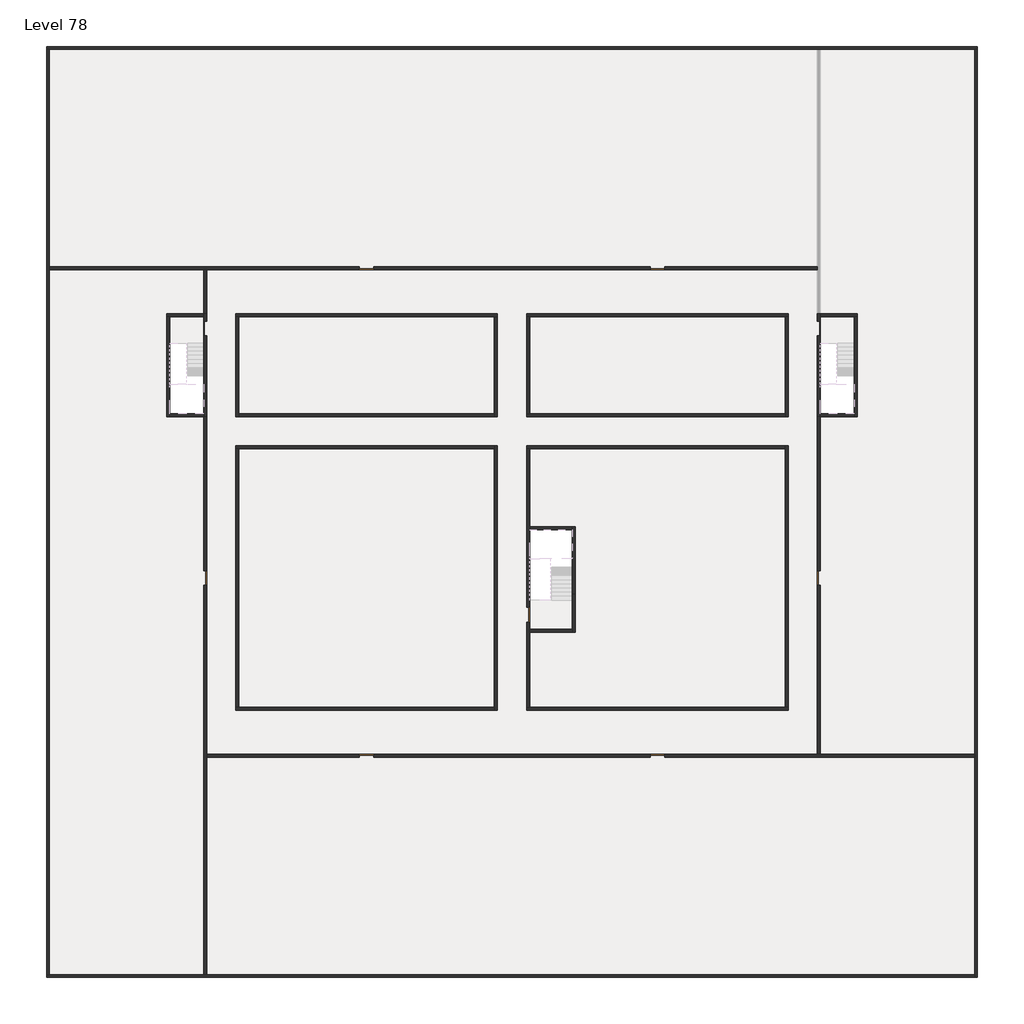
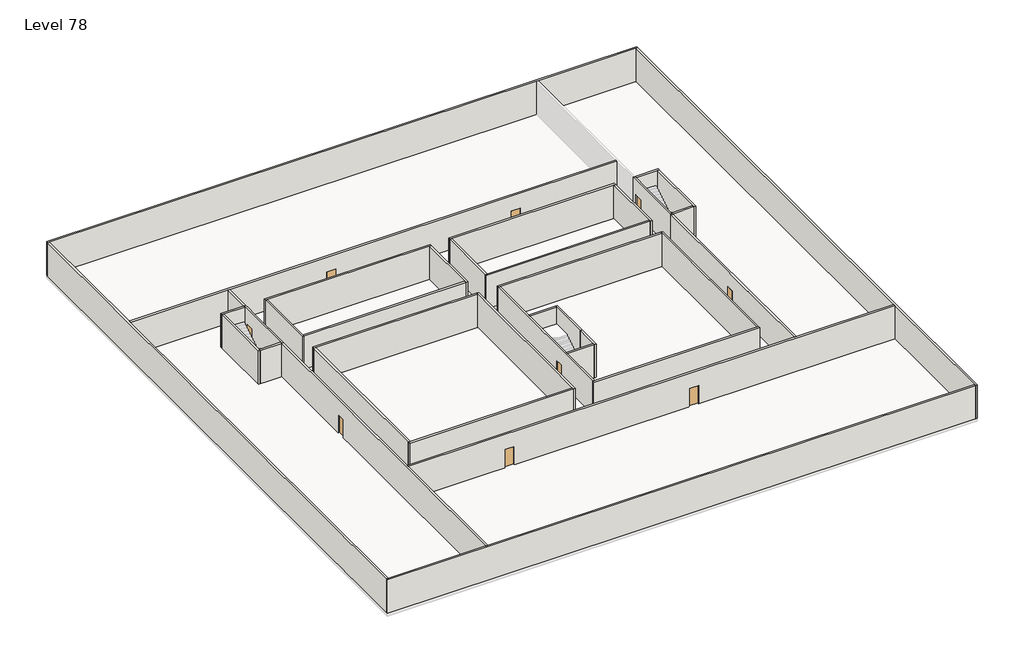
# One storey, part 1 of 2: 37 walls, 9 doors.
"""IFC4 building model written with IfcOpenShell, lengths in millimetres."""

import ifcopenshell
import ifcopenshell.guid

model = None  # the IFC model being written
_history = None  # IfcOwnerHistory: only IFC2X3 demands one
_inside = {}  # id of a spatial element -> (the spatial element, [elements in it])
_under = {}  # id of a project, library or spatial element -> (it, [spatial elements below it])
_declared = {}  # id of a project -> (the project, [libraries it declares])
_typed = {}  # id of a type object -> (the type object, [elements of that type])
_made_of = {}  # id of a material, layer set ... -> (it, [elements and type objects made of it])


def new_model(schema):
    """Start an empty IFC model of exactly this schema.

    Asked for "IFC4X3", IfcOpenShell would pick the latest addendum, in which some entities
    have other attributes; the version numbers below select the first issue.
    IFC2X3 requires an IfcOwnerHistory on every rooted entity: one is made here for all.
    """
    global model, _history
    if schema == "IFC4X3":
        model = ifcopenshell.file(schema_version=(4, 3, 0, 0))
    else:
        model = ifcopenshell.file(schema=schema)
    _inside.clear()
    _under.clear()
    _declared.clear()
    _typed.clear()
    _made_of.clear()
    _history = None
    if model.schema == "IFC2X3":
        org = make("IfcOrganization", Name="unknown")
        user = make(
            "IfcPersonAndOrganization",
            ThePerson=make("IfcPerson", FamilyName="unknown"),
            TheOrganization=org,
        )
        app = make(
            "IfcApplication",
            ApplicationDeveloper=org,
            Version="unknown",
            ApplicationFullName="unknown",
            ApplicationIdentifier="unknown",
        )
        _history = make(
            "IfcOwnerHistory",
            OwningUser=user,
            OwningApplication=app,
            ChangeAction="ADDED",
            CreationDate=0,
        )
    return model


def make(cls, **values):
    """One entity of the class cls with the attributes given. An attribute that is None is left unset."""
    return model.create_entity(
        cls, **{name: value for name, value in values.items() if value is not None}
    )


def rooted(cls, **values):
    """An entity with a GlobalId (a new one), such as an element, a storey or a relation."""
    return make(cls, GlobalId=ifcopenshell.guid.new(), OwnerHistory=_history, **values)


def si_unit(unit_type, name, prefix=None):
    """IfcSIUnit, for example si_unit("LENGTHUNIT", "METRE", prefix="MILLI")."""
    return make("IfcSIUnit", UnitType=unit_type, Prefix=prefix, Name=name)


def assignment(units):
    """IfcUnitAssignment: the units of a project."""
    return None if units is None else make("IfcUnitAssignment", Units=units)


def point(xyz):
    """IfcCartesianPoint."""
    return None if xyz is None else make("IfcCartesianPoint", Coordinates=xyz)


def direction(xyz):
    """IfcDirection."""
    return None if xyz is None else make("IfcDirection", DirectionRatios=xyz)


def frame(location, z_axis=None, x_axis=None):
    """IfcAxis2Placement3D, a coordinate frame: its origin and axes. An axis left out is left unset."""
    return make(
        "IfcAxis2Placement3D",
        Location=point(location),
        Axis=direction(z_axis),
        RefDirection=direction(x_axis),
    )


def origin():
    """The frame at (0, 0, 0) with its axes left unset."""
    return frame((0.0, 0.0, 0.0))


def origin_with_axes():
    """The frame at (0, 0, 0) with the z axis (0, 0, 1) and the x axis (1, 0, 0) written out."""
    return frame((0.0, 0.0, 0.0), z_axis=(0.0, 0.0, 1.0), x_axis=(1.0, 0.0, 0.0))


def place(relative_to, where):
    """IfcLocalPlacement: puts the frame where relative to a parent placement (None: the world)."""
    return make(
        "IfcLocalPlacement", PlacementRelTo=relative_to, RelativePlacement=where
    )


def context(
    kind, dimensions, precision=None, world=None, true_north=None, identifier=None
):
    """IfcGeometricRepresentationContext, for example the 3D "Model" context."""
    return make(
        "IfcGeometricRepresentationContext",
        ContextIdentifier=identifier,
        ContextType=kind,
        CoordinateSpaceDimension=dimensions,
        Precision=precision,
        WorldCoordinateSystem=world,
        TrueNorth=true_north,
    )


def project(units=None, contexts=None):
    """IfcProject with its units and contexts."""
    return rooted(
        "IfcProject",
        Name="project",
        RepresentationContexts=contexts,
        UnitsInContext=assignment(units),
    )


def spatial(cls, under=None, at=None, **own):
    """A site, building, storey or space (cls), placed at a placement, below another one or the project."""
    s = rooted(cls, ObjectPlacement=at, **own)
    if under is not None:
        _under.setdefault(under.id(), (under, []))[1].append(s)
    return s


def polyline(points):
    """IfcPolyline through the points."""
    return make("IfcPolyline", Points=[point(p) for p in points])


def outline(outer, holes=None, kind="AREA"):
    """IfcArbitraryClosedProfileDef: a profile drawn as a closed curve; with holes, ...WithVoids."""
    if holes is None:
        return make("IfcArbitraryClosedProfileDef", ProfileType=kind, OuterCurve=outer)
    return make(
        "IfcArbitraryProfileDefWithVoids",
        ProfileType=kind,
        OuterCurve=outer,
        InnerCurves=holes,
    )


def extrude(swept, where, along, depth):
    """IfcExtrudedAreaSolid: the profile swept, set in the frame where, extruded along a direction by depth."""
    return make(
        "IfcExtrudedAreaSolid",
        SweptArea=swept,
        Position=where,
        ExtrudedDirection=direction(along),
        Depth=depth,
    )


def faces_of(points, faces, orient=None, outer=None):
    """IfcFace entities. A face is a list of loops; a loop is a list of indices into points, from 0.

    orient and outer hold one flag for each loop. By default every Orientation is true, the
    first loop of a face is its IfcFaceOuterBound and the others are IfcFaceBound.
    """
    made = []
    for i, loops in enumerate(faces):
        bounds = []
        for j, loop in enumerate(loops):
            is_outer = j == 0 if outer is None else outer[i][j]
            bounds.append(
                make(
                    "IfcFaceOuterBound" if is_outer else "IfcFaceBound",
                    Bound=make("IfcPolyLoop", Polygon=[points[k] for k in loop]),
                    Orientation=True if orient is None else orient[i][j],
                )
            )
        made.append(make("IfcFace", Bounds=bounds))
    return made


def faceted_brep(points, faces, orient=None, outer=None, voids=None):
    """IfcFacetedBrep: a solid bounded by flat faces; with voids (closed shells), ...WithVoids."""
    shared = [point(p) for p in points]
    hull = make("IfcClosedShell", CfsFaces=faces_of(shared, faces, orient, outer))
    if voids is None:
        return make("IfcFacetedBrep", Outer=hull)
    return make(
        "IfcFacetedBrepWithVoids",
        Outer=hull,
        Voids=[
            make(cls, CfsFaces=faces_of(shared, fs, o, b)) for cls, fs, o, b in voids
        ],
    )


def shape(context_of_items, identifier, shape_type, items):
    """IfcShapeRepresentation: the items that make up one representation, for example the "Body"."""
    return make(
        "IfcShapeRepresentation",
        ContextOfItems=context_of_items,
        RepresentationIdentifier=identifier,
        RepresentationType=shape_type,
        Items=items,
    )


def source(mapping_origin, context_of_items, identifier, shape_type, items):
    """IfcRepresentationMap: a shape defined once, which mapped items show again and again."""
    return make(
        "IfcRepresentationMap",
        MappingOrigin=mapping_origin,
        MappedRepresentation=shape(context_of_items, identifier, shape_type, items),
    )


def transform(
    local_origin,
    x_axis=None,
    y_axis=None,
    z_axis=None,
    scale=None,
    scale2=None,
    scale3=None,
    uniform=True,
):
    """IfcCartesianTransformationOperator3D, or its non-uniform kind. x_axis, y_axis, z_axis: its Axis1, 2, 3."""
    if uniform:
        return make(
            "IfcCartesianTransformationOperator3D",
            Axis1=direction(x_axis),
            Axis2=direction(y_axis),
            LocalOrigin=point(local_origin),
            Scale=scale,
            Axis3=direction(z_axis),
        )
    return make(
        "IfcCartesianTransformationOperator3DnonUniform",
        Axis1=direction(x_axis),
        Axis2=direction(y_axis),
        LocalOrigin=point(local_origin),
        Scale=scale,
        Axis3=direction(z_axis),
        Scale2=scale2,
        Scale3=scale3,
    )


def mapped(mapping_source, mapping_target):
    """IfcMappedItem: shows the shape of a source again, moved by a transform."""
    return make(
        "IfcMappedItem", MappingSource=mapping_source, MappingTarget=mapping_target
    )


def made_of(thing, what):
    """Note that an element or type object is made of a material, layer set ...; save() writes the relation."""
    if what is not None:
        _made_of.setdefault(what.id(), (what, []))[1].append(thing)
    return thing


def element(
    cls,
    number,
    at=None,
    inside=None,
    cuts=None,
    type_object=None,
    material=None,
    context=None,
    identifier="Body",
    shape_type=None,
    held_by="IfcProductDefinitionShape",
    body=None,
    shapes=None,
    **own,
):
    """One element of the class cls, such as IfcWall. Its Tag is "e" and its number.

    at: its placement. inside: the storey or other place that contains it. cuts: it is an
    opening in that element (IfcRelVoidsElement). A single representation is given by context,
    identifier, shape_type and body (its items); several are given by shapes. held_by: the class
    of the entity that holds the representations. save() writes the other relations.
    """
    e = rooted(cls, Tag="e%d" % number, ObjectPlacement=at, **own)
    if body is not None:
        shapes = [shape(context, identifier, shape_type, body)]
    if shapes is not None:
        e.Representation = make(held_by, Representations=shapes)
    if inside is not None:
        _inside.setdefault(inside.id(), (inside, []))[1].append(e)
    if cuts is not None:
        rooted(
            "IfcRelVoidsElement", RelatingBuildingElement=cuts, RelatedOpeningElement=e
        )
    if type_object is not None:
        _typed.setdefault(type_object.id(), (type_object, []))[1].append(e)
    return made_of(e, material)


def aggregate(whole, parts):
    """IfcRelAggregates: a whole, such as a stair, and the parts it consists of."""
    return rooted("IfcRelAggregates", RelatingObject=whole, RelatedObjects=parts)


def save(model, path):
    """Write the relations noted so far, then the file.

    IfcRelAggregates (storeys below a building ...), IfcRelContainedInSpatialStructure (elements
    in a storey), IfcRelDefinesByType, IfcRelAssociatesMaterial and IfcRelDeclares: one each for
    every whole, place, type object, material and project.
    """
    for whole, parts in _under.values():
        aggregate(whole, parts)
    for where, things in _inside.values():
        rooted(
            "IfcRelContainedInSpatialStructure",
            RelatedElements=things,
            RelatingStructure=where,
        )
    for kind, things in _typed.values():
        rooted("IfcRelDefinesByType", RelatedObjects=things, RelatingType=kind)
    for what, things in _made_of.values():
        rooted("IfcRelAssociatesMaterial", RelatedObjects=things, RelatingMaterial=what)
    for by, libraries in _declared.values():
        rooted("IfcRelDeclares", RelatingContext=by, RelatedDefinitions=libraries)
    model.write(path)


def door_fb3c37fd(model_context):
    return source(origin(), model_context, "Body", "SweptSolid", [
        extrude(outline(polyline([(500.0, 49.0), (-500.0, 49.0), (-500.0, 100.0), (500.0, 100.0), (500.0, 49.0)])), origin_with_axes(), (0.0, 0.0, 1.0), 2100.0),
    ])


def door_0317a72c(model_context):
    return source(origin(), model_context, "Body", "SweptSolid", [
        extrude(outline(polyline([(500.0, -49.0), (500.0, -100.0), (-500.0, -100.0), (-500.0, -49.0), (500.0, -49.0)])), origin_with_axes(), (0.0, 0.0, 1.0), 2100.0),
    ])


model = new_model("IFC4")

# Units and contexts
model_context = context("Model", 3, world=origin())
ifc_project = project(units=[si_unit("LENGTHUNIT", "METRE", prefix="MILLI")], contexts=[model_context])

# Site, building, storey
site = spatial("IfcSite", under=ifc_project)
building = spatial("IfcBuilding", under=site)
storey = spatial("IfcBuildingStorey", under=building, Name="Level 78", Elevation=292600.0)

# Doors
placement = place(None, origin())
door_shape = door_fb3c37fd(model_context)
element("IfcDoor", 1, at=placement, inside=storey, context=model_context, shape_type="MappedRepresentation", body=[
    mapped(door_shape, transform((3290.1058784, -24718.09644, 292600.0), x_axis=(0.0, 1.0, 0.0), y_axis=(-1.0, 0.0, 0.0), z_axis=(0.0, 0.0, 1.0))),
])
element("IfcDoor", 2, at=placement, inside=storey, context=model_context, shape_type="MappedRepresentation", body=[
    mapped(door_shape, transform((25290.1058784, -44218.09644, 292600.0), x_axis=(0.0, -1.0, 0.0), y_axis=(1.0, 0.0, 0.0), z_axis=(0.0, 0.0, 1.0))),
])
element("IfcDoor", 3, at=placement, inside=storey, context=model_context, shape_type="MappedRepresentation", body=[
    mapped(door_shape, transform((3290.1058784, -41718.09644, 292600.0), x_axis=(0.0, -1.0, 0.0), y_axis=(1.0, 0.0, 0.0), z_axis=(0.0, 0.0, 1.0))),
])
element("IfcDoor", 4, at=placement, inside=storey, context=model_context, shape_type="MappedRepresentation", body=[
    mapped(door_shape, transform((34090.1058784, -53818.09644, 292600.0), x_axis=(1.0, 0.0, 0.0), y_axis=(0.0, 1.0, 0.0), z_axis=(0.0, 0.0, 1.0))),
])
element("IfcDoor", 5, at=placement, inside=storey, context=model_context, shape_type="MappedRepresentation", body=[
    mapped(door_shape, transform((14290.1058784, -53818.09644, 292600.0), x_axis=(1.0, 0.0, 0.0), y_axis=(0.0, 1.0, 0.0), z_axis=(0.0, 0.0, 1.0))),
])
element("IfcDoor", 6, at=placement, inside=storey, context=model_context, shape_type="MappedRepresentation", body=[
    mapped(door_shape, transform((34090.1058784, -20618.09644, 292600.0), x_axis=(-1.0, 0.0, 0.0), y_axis=(0.0, -1.0, 0.0), z_axis=(0.0, 0.0, 1.0))),
])
element("IfcDoor", 7, at=placement, inside=storey, context=model_context, shape_type="MappedRepresentation", body=[
    mapped(door_shape, transform((14290.1058784, -20618.09644, 292600.0), x_axis=(-1.0, 0.0, 0.0), y_axis=(0.0, -1.0, 0.0), z_axis=(0.0, 0.0, 1.0))),
])
door_2_shape = door_0317a72c(model_context)
element("IfcDoor", 8, at=placement, inside=storey, context=model_context, shape_type="MappedRepresentation", body=[
    mapped(door_2_shape, transform((45090.1058784, -24718.09644, 292600.0), x_axis=(0.0, 1.0, 0.0), y_axis=(-1.0, 0.0, 0.0), z_axis=(0.0, 0.0, 1.0))),
])
element("IfcDoor", 9, at=placement, inside=storey, context=model_context, shape_type="MappedRepresentation", body=[
    mapped(door_2_shape, transform((45090.1058784, -41718.09644, 292600.0), x_axis=(0.0, -1.0, 0.0), y_axis=(1.0, 0.0, 0.0), z_axis=(0.0, 0.0, 1.0))),
])

# Walls
element("IfcWall", 10, at=placement, inside=storey, context=model_context, shape_type="Brep", body=[
    faceted_brep([(-7509.8941216, -5718.09644, 292600.0), (-7309.8941216, -5718.09644, 292600.0), (44990.1058784, -5718.09644, 292600.0), (45190.1058784, -5718.09644, 292600.0), (55690.1058784, -5718.09644, 292600.0), (55890.1058784, -5718.09644, 292600.0), (55890.1058784, -5718.09644, 296400.0), (55690.1058784, -5718.09644, 296400.0), (45190.1058784, -5718.09644, 296400.0), (44990.1058784, -5718.09644, 296400.0), (-7309.8941216, -5718.09644, 296400.0), (-7509.8941216, -5718.09644, 296400.0), (-7509.8941216, -5518.09644, 292600.0), (-7509.8941216, -5518.09644, 296400.0), (55890.1058784, -5518.09644, 296400.0), (55890.1058784, -5518.09644, 292600.0)], [[[0, 1, 2, 3, 4, 5, 6, 7, 8, 9, 10, 11]], [[12, 13, 14, 15]], [[5, 4, 3, 2, 1, 0, 12, 15]], [[11, 10, 9, 8, 7, 6, 14, 13]], [[0, 11, 13, 12]], [[6, 5, 15, 14]]]),
])
element("IfcWall", 11, at=placement, inside=storey, context=model_context, shape_type="Brep", body=[
    faceted_brep([(55690.1058784, -5718.09644, 292600.0), (55690.1058784, -53718.09644, 292600.0), (55690.1058784, -53918.09644, 292600.0), (55690.1058784, -68718.09644, 292600.0), (55690.1058784, -68918.09644, 292600.0), (55690.1058784, -68918.09644, 296400.0), (55690.1058784, -68718.09644, 296400.0), (55690.1058784, -53918.09644, 296400.0), (55690.1058784, -53718.09644, 296400.0), (55690.1058784, -5718.09644, 296400.0), (55890.1058784, -5718.09644, 292600.0), (55890.1058784, -5718.09644, 296400.0), (55890.1058784, -68918.09644, 296400.0), (55890.1058784, -68918.09644, 292600.0)], [[[0, 1, 2, 3, 4, 5, 6, 7, 8, 9]], [[10, 11, 12, 13]], [[4, 3, 2, 1, 0, 10, 13]], [[9, 8, 7, 6, 5, 12, 11]], [[5, 4, 13, 12]], [[0, 9, 11, 10]]]),
])
element("IfcWall", 12, at=placement, inside=storey, context=model_context, shape_type="Brep", body=[
    faceted_brep([(55690.1058784, -68718.09644, 292600.0), (3390.1058784, -68718.09644, 292600.0), (3190.1058784, -68718.09644, 292600.0), (-7309.8941216, -68718.09644, 292600.0), (-7509.8941216, -68718.09644, 292600.0), (-7509.8941216, -68718.09644, 296400.0), (-7309.8941216, -68718.09644, 296400.0), (3190.1058784, -68718.09644, 296400.0), (3390.1058784, -68718.09644, 296400.0), (55690.1058784, -68718.09644, 296400.0), (55690.1058784, -68918.09644, 292600.0), (55690.1058784, -68918.09644, 296400.0), (-7509.8941216, -68918.09644, 296400.0), (-7509.8941216, -68918.09644, 292600.0)], [[[0, 1, 2, 3, 4, 5, 6, 7, 8, 9]], [[10, 11, 12, 13]], [[4, 3, 2, 1, 0, 10, 13]], [[9, 8, 7, 6, 5, 12, 11]], [[5, 4, 13, 12]], [[0, 9, 11, 10]]]),
])
element("IfcWall", 13, at=placement, inside=storey, context=model_context, shape_type="Brep", body=[
    faceted_brep([(-7309.8941216, -68718.09644, 292600.0), (-7309.8941216, -20718.09644, 292600.0), (-7309.8941216, -20518.09644, 292600.0), (-7309.8941216, -5718.09644, 292600.0), (-7309.8941216, -5718.09644, 296400.0), (-7309.8941216, -20518.09644, 296400.0), (-7309.8941216, -20718.09644, 296400.0), (-7309.8941216, -68718.09644, 296400.0), (-7509.8941216, -68718.09644, 292600.0), (-7509.8941216, -68718.09644, 296400.0), (-7509.8941216, -5718.09644, 296400.0), (-7509.8941216, -5718.09644, 292600.0)], [[[0, 1, 2, 3, 4, 5, 6, 7]], [[8, 9, 10, 11]], [[3, 2, 1, 0, 8, 11]], [[7, 6, 5, 4, 10, 9]], [[0, 7, 9, 8]], [[4, 3, 11, 10]]]),
])
element("IfcWall", 14, at=placement, inside=storey, context=model_context, shape_type="Brep", body=[
    faceted_brep([(5390.1058784, -23918.09644, 292600.0), (5590.1058784, -23918.09644, 292600.0), (22990.1058784, -23918.09644, 292600.0), (23190.1058784, -23918.09644, 292600.0), (23190.1058784, -23918.09644, 296400.0), (22990.1058784, -23918.09644, 296400.0), (5590.1058784, -23918.09644, 296400.0), (5390.1058784, -23918.09644, 296400.0), (5390.1058784, -23718.09644, 292600.0), (5390.1058784, -23718.09644, 296400.0), (23190.1058784, -23718.09644, 296400.0), (23190.1058784, -23718.09644, 292600.0)], [[[0, 1, 2, 3, 4, 5, 6, 7]], [[8, 9, 10, 11]], [[3, 2, 1, 0, 8, 11]], [[7, 6, 5, 4, 10, 9]], [[4, 3, 11, 10]], [[0, 7, 9, 8]]]),
])
element("IfcWall", 15, at=placement, inside=storey, context=model_context, shape_type="Brep", body=[
    faceted_brep([(44990.1058784, -23718.09644, 292600.0), (44990.1058784, -24218.09644, 292600.0), (44990.1058784, -24218.09644, 294700.0), (44990.1058784, -25218.09644, 294700.0), (44990.1058784, -25218.09644, 292600.0), (44990.1058784, -30718.09644, 292600.0), (44990.1058784, -30718.09644, 296400.0), (44990.1058784, -25218.09644, 296400.0), (44990.1058784, -24218.09644, 296400.0), (44990.1058784, -23718.09644, 296400.0), (45190.1058784, -24218.09644, 294700.0), (45190.1058784, -24218.09644, 292600.0), (45190.1058784, -23918.09644, 292600.0), (45190.1058784, -23718.09644, 292600.0), (45190.1058784, -23718.09644, 296400.0), (45190.1058784, -23918.09644, 296400.0), (45190.1058784, -24218.09644, 296400.0), (45190.1058784, -25218.09644, 296400.0), (45190.1058784, -30518.09644, 296400.0), (45190.1058784, -30718.09644, 296400.0), (45190.1058784, -30718.09644, 292600.0), (45190.1058784, -30518.09644, 292600.0), (45190.1058784, -25218.09644, 292600.0), (45190.1058784, -25218.09644, 294700.0)], [[[0, 1, 2, 3, 4, 5, 6, 7, 8, 9]], [[10, 11, 12, 13, 14, 15, 16, 17, 18, 19, 20, 21, 22, 23]], [[13, 12, 11, 1, 0]], [[22, 21, 20, 5, 4]], [[9, 8, 7, 6, 19, 18, 17, 16, 15, 14]], [[2, 1, 11, 10]], [[3, 2, 10, 23]], [[4, 3, 23, 22]], [[6, 5, 20, 19]], [[0, 9, 14, 13]]]),
])
element("IfcWall", 16, at=placement, inside=storey, context=model_context, shape_type="Brep", body=[
    faceted_brep([(22990.1058784, -23918.09644, 292600.0), (22990.1058784, -30518.09644, 292600.0), (22990.1058784, -30718.09644, 292600.0), (22990.1058784, -30718.09644, 296400.0), (22990.1058784, -30518.09644, 296400.0), (22990.1058784, -23918.09644, 296400.0), (23190.1058784, -23918.09644, 292600.0), (23190.1058784, -23918.09644, 296400.0), (23190.1058784, -30718.09644, 296400.0), (23190.1058784, -30718.09644, 292600.0)], [[[0, 1, 2, 3, 4, 5]], [[6, 7, 8, 9]], [[2, 1, 0, 6, 9]], [[5, 4, 3, 8, 7]], [[0, 5, 7, 6]], [[3, 2, 9, 8]]]),
])
element("IfcWall", 17, at=placement, inside=storey, context=model_context, shape_type="Brep", body=[
    faceted_brep([(3390.1058784, -24218.09644, 294700.0), (3390.1058784, -24218.09644, 292600.0), (3390.1058784, -23718.09644, 292600.0), (3390.1058784, -23718.09644, 296400.0), (3390.1058784, -24218.09644, 296400.0), (3390.1058784, -25218.09644, 296400.0), (3390.1058784, -30718.09644, 296400.0), (3390.1058784, -30718.09644, 292600.0), (3390.1058784, -25218.09644, 292600.0), (3390.1058784, -25218.09644, 294700.0), (3190.1058784, -23718.09644, 292600.0), (3190.1058784, -23918.09644, 292600.0), (3190.1058784, -24218.09644, 292600.0), (3190.1058784, -24218.09644, 294700.0), (3190.1058784, -25218.09644, 294700.0), (3190.1058784, -25218.09644, 292600.0), (3190.1058784, -30518.09644, 292600.0), (3190.1058784, -30718.09644, 292600.0), (3190.1058784, -30718.09644, 296400.0), (3190.1058784, -30518.09644, 296400.0), (3190.1058784, -25218.09644, 296400.0), (3190.1058784, -24218.09644, 296400.0), (3190.1058784, -23918.09644, 296400.0), (3190.1058784, -23718.09644, 296400.0)], [[[0, 1, 2, 3, 4, 5, 6, 7, 8, 9]], [[10, 11, 12, 13, 14, 15, 16, 17, 18, 19, 20, 21, 22, 23]], [[2, 1, 12, 11, 10]], [[8, 7, 17, 16, 15]], [[6, 5, 4, 3, 23, 22, 21, 20, 19, 18]], [[13, 12, 1, 0]], [[14, 13, 0, 9]], [[15, 14, 9, 8]], [[3, 2, 10, 23]], [[7, 6, 18, 17]]]),
])
element("IfcWall", 18, at=placement, inside=storey, context=model_context, shape_type="Brep", body=[
    faceted_brep([(25190.1058784, -44718.09644, 294700.0), (25190.1058784, -44718.09644, 292600.0), (25190.1058784, -50518.09644, 292600.0), (25190.1058784, -50518.09644, 296400.0), (25190.1058784, -32918.09644, 296400.0), (25190.1058784, -32918.09644, 292600.0), (25190.1058784, -43718.09644, 292600.0), (25190.1058784, -43718.09644, 294700.0), (25390.1058784, -50518.09644, 292600.0), (25390.1058784, -45418.09644, 292600.0), (25390.1058784, -45218.09644, 292600.0), (25390.1058784, -44718.09644, 292600.0), (25390.1058784, -44718.09644, 294700.0), (25390.1058784, -43718.09644, 294700.0), (25390.1058784, -43718.09644, 292600.0), (25390.1058784, -38418.09644, 292600.0), (25390.1058784, -38218.09644, 292600.0), (25390.1058784, -32918.09644, 292600.0), (25390.1058784, -32918.09644, 296400.0), (25390.1058784, -38218.09644, 296400.0), (25390.1058784, -38418.09644, 296400.0), (25390.1058784, -45218.09644, 296400.0), (25390.1058784, -45418.09644, 296400.0), (25390.1058784, -50518.09644, 296400.0)], [[[0, 1, 2, 3, 4, 5, 6, 7]], [[8, 9, 10, 11, 12, 13, 14, 15, 16, 17, 18, 19, 20, 21, 22, 23]], [[6, 5, 17, 16, 15, 14]], [[2, 1, 11, 10, 9, 8]], [[4, 3, 23, 22, 21, 20, 19, 18]], [[12, 11, 1, 0]], [[13, 12, 0, 7]], [[14, 13, 7, 6]], [[5, 4, 18, 17]], [[3, 2, 8, 23]]]),
])
element("IfcWall", 19, at=placement, inside=storey, context=model_context, shape_type="Brep", body=[
    faceted_brep([(22990.1058784, -32718.09644, 292600.0), (22990.1058784, -32918.09644, 292600.0), (22990.1058784, -50518.09644, 292600.0), (22990.1058784, -50718.09644, 292600.0), (22990.1058784, -50718.09644, 296400.0), (22990.1058784, -50518.09644, 296400.0), (22990.1058784, -32918.09644, 296400.0), (22990.1058784, -32718.09644, 296400.0), (23190.1058784, -32718.09644, 292600.0), (23190.1058784, -32718.09644, 296400.0), (23190.1058784, -50718.09644, 296400.0), (23190.1058784, -50718.09644, 292600.0)], [[[0, 1, 2, 3, 4, 5, 6, 7]], [[8, 9, 10, 11]], [[3, 2, 1, 0, 8, 11]], [[7, 6, 5, 4, 10, 9]], [[4, 3, 11, 10]], [[0, 7, 9, 8]]]),
])
element("IfcWall", 20, at=placement, inside=storey, context=model_context, shape_type="Brep", body=[
    faceted_brep([(22990.1058784, -50518.09644, 292600.0), (5590.1058784, -50518.09644, 292600.0), (5390.1058784, -50518.09644, 292600.0), (5390.1058784, -50518.09644, 296400.0), (5590.1058784, -50518.09644, 296400.0), (22990.1058784, -50518.09644, 296400.0), (22990.1058784, -50718.09644, 292600.0), (22990.1058784, -50718.09644, 296400.0), (5390.1058784, -50718.09644, 296400.0), (5390.1058784, -50718.09644, 292600.0)], [[[0, 1, 2, 3, 4, 5]], [[6, 7, 8, 9]], [[2, 1, 0, 6, 9]], [[5, 4, 3, 8, 7]], [[0, 5, 7, 6]], [[3, 2, 9, 8]]]),
])
element("IfcWall", 21, at=placement, inside=storey, context=model_context, shape_type="Brep", body=[
    faceted_brep([(28290.1058784, -42818.09644, 292600.0), (28290.1058784, -45218.09644, 292600.0), (28290.1058784, -45418.09644, 292600.0), (28290.1058784, -45418.09644, 296400.0), (28290.1058784, -45218.09644, 296400.0), (28290.1058784, -42818.09644, 296400.0), (28490.1058784, -42818.09644, 292600.0), (28490.1058784, -42818.09644, 296400.0), (28490.1058784, -45418.09644, 296400.0), (28490.1058784, -45418.09644, 292600.0)], [[[0, 1, 2, 3, 4, 5]], [[6, 7, 8, 9]], [[2, 1, 0, 6, 9]], [[5, 4, 3, 8, 7]], [[0, 5, 7, 6]], [[3, 2, 9, 8]]]),
])
element("IfcWall", 22, at=placement, inside=storey, context=model_context, shape_type="Brep", body=[
    faceted_brep([(3190.1058784, -23718.09644, 292600.0), (690.1058784, -23718.09644, 292600.0), (690.1058784, -23718.09644, 296400.0), (3190.1058784, -23718.09644, 296400.0), (3190.1058784, -23918.09644, 292600.0), (3190.1058784, -23918.09644, 296400.0), (890.1058784, -23918.09644, 296400.0), (690.1058784, -23918.09644, 296400.0), (690.1058784, -23918.09644, 292600.0), (890.1058784, -23918.09644, 292600.0)], [[[0, 1, 2, 3]], [[4, 5, 6, 7, 8, 9]], [[1, 0, 4, 9, 8]], [[3, 2, 7, 6, 5]], [[2, 1, 8, 7]], [[0, 3, 5, 4]]]),
])
element("IfcWall", 23, at=placement, inside=storey, context=model_context, shape_type="Brep", body=[
    faceted_brep([(690.1058784, -23918.09644, 292600.0), (690.1058784, -30718.09644, 292600.0), (690.1058784, -30718.09644, 296400.0), (690.1058784, -23918.09644, 296400.0), (890.1058784, -23918.09644, 292600.0), (890.1058784, -23918.09644, 296400.0), (890.1058784, -30518.09644, 296400.0), (890.1058784, -30718.09644, 296400.0), (890.1058784, -30718.09644, 292600.0), (890.1058784, -30518.09644, 292600.0)], [[[0, 1, 2, 3]], [[4, 5, 6, 7, 8, 9]], [[1, 0, 4, 9, 8]], [[3, 2, 7, 6, 5]], [[2, 1, 8, 7]], [[0, 3, 5, 4]]]),
])
element("IfcWall", 24, at=placement, inside=storey, context=model_context, shape_type="SweptSolid", body=[
    extrude(outline(polyline([(3190.1058784, -30718.09644), (890.1058784, -30718.09644), (890.1058784, -30518.09644), (3190.1058784, -30518.09644), (3190.1058784, -30718.09644)])), frame((0.0, 0.0, 292600.0), z_axis=(0.0, 0.0, 1.0), x_axis=(1.0, 0.0, 0.0)), (0.0, 0.0, 1.0), 3800.0),
])
element("IfcWall", 25, at=placement, inside=storey, context=model_context, shape_type="Brep", body=[
    faceted_brep([(5390.1058784, -23918.09644, 292600.0), (5390.1058784, -30718.09644, 292600.0), (5390.1058784, -30718.09644, 296400.0), (5390.1058784, -23918.09644, 296400.0), (5590.1058784, -23918.09644, 292600.0), (5590.1058784, -23918.09644, 296400.0), (5590.1058784, -30518.09644, 296400.0), (5590.1058784, -30718.09644, 296400.0), (5590.1058784, -30718.09644, 292600.0), (5590.1058784, -30518.09644, 292600.0)], [[[0, 1, 2, 3]], [[4, 5, 6, 7, 8, 9]], [[1, 0, 4, 9, 8]], [[3, 2, 7, 6, 5]], [[2, 1, 8, 7]], [[0, 3, 5, 4]]]),
])
element("IfcWall", 26, at=placement, inside=storey, context=model_context, shape_type="SweptSolid", body=[
    extrude(outline(polyline([(22990.1058784, -30718.09644), (5590.1058784, -30718.09644), (5590.1058784, -30518.09644), (22990.1058784, -30518.09644), (22990.1058784, -30718.09644)])), frame((0.0, 0.0, 292600.0), z_axis=(0.0, 0.0, 1.0), x_axis=(1.0, 0.0, 0.0)), (0.0, 0.0, 1.0), 3800.0),
])
element("IfcWall", 27, at=placement, inside=storey, context=model_context, shape_type="Brep", body=[
    faceted_brep([(45190.1058784, -23918.09644, 292600.0), (47490.1058784, -23918.09644, 292600.0), (47690.1058784, -23918.09644, 292600.0), (47690.1058784, -23918.09644, 296400.0), (47490.1058784, -23918.09644, 296400.0), (45190.1058784, -23918.09644, 296400.0), (45190.1058784, -23718.09644, 292600.0), (45190.1058784, -23718.09644, 296400.0), (47690.1058784, -23718.09644, 296400.0), (47690.1058784, -23718.09644, 292600.0)], [[[0, 1, 2, 3, 4, 5]], [[6, 7, 8, 9]], [[2, 1, 0, 6, 9]], [[5, 4, 3, 8, 7]], [[3, 2, 9, 8]], [[0, 5, 7, 6]]]),
])
element("IfcWall", 28, at=placement, inside=storey, context=model_context, shape_type="Brep", body=[
    faceted_brep([(47490.1058784, -23918.09644, 292600.0), (47490.1058784, -30518.09644, 292600.0), (47490.1058784, -30718.09644, 292600.0), (47490.1058784, -30718.09644, 296400.0), (47490.1058784, -30518.09644, 296400.0), (47490.1058784, -23918.09644, 296400.0), (47690.1058784, -23918.09644, 292600.0), (47690.1058784, -23918.09644, 296400.0), (47690.1058784, -30718.09644, 296400.0), (47690.1058784, -30718.09644, 292600.0)], [[[0, 1, 2, 3, 4, 5]], [[6, 7, 8, 9]], [[2, 1, 0, 6, 9]], [[5, 4, 3, 8, 7]], [[3, 2, 9, 8]], [[0, 5, 7, 6]]]),
])
element("IfcWall", 29, at=placement, inside=storey, context=model_context, shape_type="SweptSolid", body=[
    extrude(outline(polyline([(45190.1058784, -30518.09644), (47490.1058784, -30518.09644), (47490.1058784, -30718.09644), (45190.1058784, -30718.09644), (45190.1058784, -30518.09644)])), frame((0.0, 0.0, 292600.0), z_axis=(0.0, 0.0, 1.0), x_axis=(1.0, 0.0, 0.0)), (0.0, 0.0, 1.0), 3800.0),
])
element("IfcWall", 30, at=placement, inside=storey, context=model_context, shape_type="Brep", body=[
    faceted_brep([(28490.1058784, -42818.09644, 292600.0), (28490.1058784, -38218.09644, 292600.0), (28490.1058784, -38218.09644, 296400.0), (28490.1058784, -42818.09644, 296400.0), (28290.1058784, -42818.09644, 292600.0), (28290.1058784, -42818.09644, 296400.0), (28290.1058784, -38418.09644, 296400.0), (28290.1058784, -38218.09644, 296400.0), (28290.1058784, -38218.09644, 292600.0), (28290.1058784, -38418.09644, 292600.0)], [[[0, 1, 2, 3]], [[4, 5, 6, 7, 8, 9]], [[1, 0, 4, 9, 8]], [[3, 2, 7, 6, 5]], [[0, 3, 5, 4]], [[2, 1, 8, 7]]]),
])
element("IfcWall", 31, at=placement, inside=storey, context=model_context, shape_type="SweptSolid", body=[
    extrude(outline(polyline([(25390.1058784, -38218.09644), (28290.1058784, -38218.09644), (28290.1058784, -38418.09644), (25390.1058784, -38418.09644), (25390.1058784, -38218.09644)])), frame((0.0, 0.0, 292600.0), z_axis=(0.0, 0.0, 1.0), x_axis=(1.0, 0.0, 0.0)), (0.0, 0.0, 1.0), 3800.0),
])
element("IfcWall", 32, at=placement, inside=storey, context=model_context, shape_type="SweptSolid", body=[
    extrude(outline(polyline([(28290.1058784, -45418.09644), (25390.1058784, -45418.09644), (25390.1058784, -45218.09644), (28290.1058784, -45218.09644), (28290.1058784, -45418.09644)])), frame((0.0, 0.0, 292600.0), z_axis=(0.0, 0.0, 1.0), x_axis=(1.0, 0.0, 0.0)), (0.0, 0.0, 1.0), 3800.0),
])
element("IfcWall", 33, at=placement, inside=storey, context=model_context, shape_type="Brep", body=[
    faceted_brep([(5390.1058784, -32918.09644, 292600.0), (5590.1058784, -32918.09644, 292600.0), (22990.1058784, -32918.09644, 292600.0), (22990.1058784, -32918.09644, 296400.0), (5590.1058784, -32918.09644, 296400.0), (5390.1058784, -32918.09644, 296400.0), (5390.1058784, -32718.09644, 292600.0), (5390.1058784, -32718.09644, 296400.0), (22990.1058784, -32718.09644, 296400.0), (22990.1058784, -32718.09644, 292600.0)], [[[0, 1, 2, 3, 4, 5]], [[6, 7, 8, 9]], [[2, 1, 0, 6, 9]], [[5, 4, 3, 8, 7]], [[3, 2, 9, 8]], [[0, 5, 7, 6]]]),
])
element("IfcWall", 34, at=placement, inside=storey, context=model_context, shape_type="SweptSolid", body=[
    extrude(outline(polyline([(5390.1058784, -50518.09644), (5390.1058784, -32918.09644), (5590.1058784, -32918.09644), (5590.1058784, -50518.09644), (5390.1058784, -50518.09644)])), frame((0.0, 0.0, 292600.0), z_axis=(0.0, 0.0, 1.0), x_axis=(1.0, 0.0, 0.0)), (0.0, 0.0, 1.0), 3800.0),
])
element("IfcWall", 35, at=placement, inside=storey, context=model_context, shape_type="Brep", body=[
    faceted_brep([(25190.1058784, -50718.09644, 292600.0), (42990.1058784, -50718.09644, 292600.0), (42990.1058784, -50718.09644, 296400.0), (25190.1058784, -50718.09644, 296400.0), (25190.1058784, -50518.09644, 292600.0), (25190.1058784, -50518.09644, 296400.0), (25390.1058784, -50518.09644, 296400.0), (42790.1058784, -50518.09644, 296400.0), (42990.1058784, -50518.09644, 296400.0), (42990.1058784, -50518.09644, 292600.0), (42790.1058784, -50518.09644, 292600.0), (25390.1058784, -50518.09644, 292600.0)], [[[0, 1, 2, 3]], [[4, 5, 6, 7, 8, 9, 10, 11]], [[1, 0, 4, 11, 10, 9]], [[3, 2, 8, 7, 6, 5]], [[2, 1, 9, 8]], [[0, 3, 5, 4]]]),
])
element("IfcWall", 36, at=placement, inside=storey, context=model_context, shape_type="Brep", body=[
    faceted_brep([(42990.1058784, -50518.09644, 292600.0), (42990.1058784, -32718.09644, 292600.0), (42990.1058784, -32718.09644, 296400.0), (42990.1058784, -50518.09644, 296400.0), (42790.1058784, -50518.09644, 292600.0), (42790.1058784, -50518.09644, 296400.0), (42790.1058784, -32918.09644, 296400.0), (42790.1058784, -32718.09644, 296400.0), (42790.1058784, -32718.09644, 292600.0), (42790.1058784, -32918.09644, 292600.0)], [[[0, 1, 2, 3]], [[4, 5, 6, 7, 8, 9]], [[1, 0, 4, 9, 8]], [[3, 2, 7, 6, 5]], [[0, 3, 5, 4]], [[2, 1, 8, 7]]]),
])
element("IfcWall", 37, at=placement, inside=storey, context=model_context, shape_type="Brep", body=[
    faceted_brep([(42790.1058784, -32718.09644, 292600.0), (25190.1058784, -32718.09644, 292600.0), (25190.1058784, -32718.09644, 296400.0), (42790.1058784, -32718.09644, 296400.0), (42790.1058784, -32918.09644, 292600.0), (42790.1058784, -32918.09644, 296400.0), (25390.1058784, -32918.09644, 296400.0), (25190.1058784, -32918.09644, 296400.0), (25190.1058784, -32918.09644, 292600.0), (25390.1058784, -32918.09644, 292600.0)], [[[0, 1, 2, 3]], [[4, 5, 6, 7, 8, 9]], [[1, 0, 4, 9, 8]], [[3, 2, 7, 6, 5]], [[0, 3, 5, 4]], [[2, 1, 8, 7]]]),
])
element("IfcWall", 38, at=placement, inside=storey, context=model_context, shape_type="Brep", body=[
    faceted_brep([(25190.1058784, -23918.09644, 292600.0), (25390.1058784, -23918.09644, 292600.0), (42790.1058784, -23918.09644, 292600.0), (42990.1058784, -23918.09644, 292600.0), (42990.1058784, -23918.09644, 296400.0), (42790.1058784, -23918.09644, 296400.0), (25390.1058784, -23918.09644, 296400.0), (25190.1058784, -23918.09644, 296400.0), (25190.1058784, -23718.09644, 292600.0), (25190.1058784, -23718.09644, 296400.0), (42990.1058784, -23718.09644, 296400.0), (42990.1058784, -23718.09644, 292600.0)], [[[0, 1, 2, 3, 4, 5, 6, 7]], [[8, 9, 10, 11]], [[3, 2, 1, 0, 8, 11]], [[7, 6, 5, 4, 10, 9]], [[4, 3, 11, 10]], [[0, 7, 9, 8]]]),
])
element("IfcWall", 39, at=placement, inside=storey, context=model_context, shape_type="Brep", body=[
    faceted_brep([(42790.1058784, -23918.09644, 292600.0), (42790.1058784, -30518.09644, 292600.0), (42790.1058784, -30718.09644, 292600.0), (42790.1058784, -30718.09644, 296400.0), (42790.1058784, -30518.09644, 296400.0), (42790.1058784, -23918.09644, 296400.0), (42990.1058784, -23918.09644, 292600.0), (42990.1058784, -23918.09644, 296400.0), (42990.1058784, -30718.09644, 296400.0), (42990.1058784, -30718.09644, 292600.0)], [[[0, 1, 2, 3, 4, 5]], [[6, 7, 8, 9]], [[2, 1, 0, 6, 9]], [[5, 4, 3, 8, 7]], [[0, 5, 7, 6]], [[3, 2, 9, 8]]]),
])
element("IfcWall", 40, at=placement, inside=storey, context=model_context, shape_type="Brep", body=[
    faceted_brep([(42790.1058784, -30518.09644, 292600.0), (25390.1058784, -30518.09644, 292600.0), (25190.1058784, -30518.09644, 292600.0), (25190.1058784, -30518.09644, 296400.0), (25390.1058784, -30518.09644, 296400.0), (42790.1058784, -30518.09644, 296400.0), (42790.1058784, -30718.09644, 292600.0), (42790.1058784, -30718.09644, 296400.0), (25190.1058784, -30718.09644, 296400.0), (25190.1058784, -30718.09644, 292600.0)], [[[0, 1, 2, 3, 4, 5]], [[6, 7, 8, 9]], [[2, 1, 0, 6, 9]], [[5, 4, 3, 8, 7]], [[0, 5, 7, 6]], [[3, 2, 9, 8]]]),
])
element("IfcWall", 41, at=placement, inside=storey, context=model_context, shape_type="SweptSolid", body=[
    extrude(outline(polyline([(25390.1058784, -23918.09644), (25390.1058784, -30518.09644), (25190.1058784, -30518.09644), (25190.1058784, -23918.09644), (25390.1058784, -23918.09644)])), frame((0.0, 0.0, 292600.0), z_axis=(0.0, 0.0, 1.0), x_axis=(1.0, 0.0, 0.0)), (0.0, 0.0, 1.0), 3800.0),
])
element("IfcWall", 42, at=placement, inside=storey, context=model_context, shape_type="Brep", body=[
    faceted_brep([(3190.1058784, -42218.09644, 294700.0), (3190.1058784, -42218.09644, 292600.0), (3190.1058784, -68718.09644, 292600.0), (3190.1058784, -68718.09644, 296400.0), (3190.1058784, -42218.09644, 296400.0), (3190.1058784, -41218.09644, 296400.0), (3190.1058784, -30718.09644, 296400.0), (3190.1058784, -30718.09644, 292600.0), (3190.1058784, -41218.09644, 292600.0), (3190.1058784, -41218.09644, 294700.0), (3390.1058784, -68718.09644, 292600.0), (3390.1058784, -53918.09644, 292600.0), (3390.1058784, -53718.09644, 292600.0), (3390.1058784, -42218.09644, 292600.0), (3390.1058784, -42218.09644, 294700.0), (3390.1058784, -41218.09644, 294700.0), (3390.1058784, -41218.09644, 292600.0), (3390.1058784, -30718.09644, 292600.0), (3390.1058784, -30718.09644, 296400.0), (3390.1058784, -41218.09644, 296400.0), (3390.1058784, -42218.09644, 296400.0), (3390.1058784, -53718.09644, 296400.0), (3390.1058784, -53918.09644, 296400.0), (3390.1058784, -68718.09644, 296400.0)], [[[0, 1, 2, 3, 4, 5, 6, 7, 8, 9]], [[10, 11, 12, 13, 14, 15, 16, 17, 18, 19, 20, 21, 22, 23]], [[2, 1, 13, 12, 11, 10]], [[8, 7, 17, 16]], [[6, 5, 4, 3, 23, 22, 21, 20, 19, 18]], [[14, 13, 1, 0]], [[15, 14, 0, 9]], [[16, 15, 9, 8]], [[3, 2, 10, 23]], [[7, 6, 18, 17]]]),
])
element("IfcWall", 43, at=placement, inside=storey, context=model_context, shape_type="Brep", body=[
    faceted_brep([(14790.1058784, -53918.09644, 294700.0), (14790.1058784, -53918.09644, 292600.0), (33590.1058784, -53918.09644, 292600.0), (33590.1058784, -53918.09644, 294700.0), (34590.1058784, -53918.09644, 294700.0), (34590.1058784, -53918.09644, 292600.0), (55690.1058784, -53918.09644, 292600.0), (55690.1058784, -53918.09644, 296400.0), (3390.1058784, -53918.09644, 296400.0), (3390.1058784, -53918.09644, 292600.0), (13790.1058784, -53918.09644, 292600.0), (13790.1058784, -53918.09644, 294700.0), (33590.1058784, -53718.09644, 292600.0), (14790.1058784, -53718.09644, 292600.0), (14790.1058784, -53718.09644, 294700.0), (13790.1058784, -53718.09644, 294700.0), (13790.1058784, -53718.09644, 292600.0), (3390.1058784, -53718.09644, 292600.0), (3390.1058784, -53718.09644, 296400.0), (44990.1058784, -53718.09644, 296400.0), (45190.1058784, -53718.09644, 296400.0), (55690.1058784, -53718.09644, 296400.0), (55690.1058784, -53718.09644, 292600.0), (45190.1058784, -53718.09644, 292600.0), (44990.1058784, -53718.09644, 292600.0), (34590.1058784, -53718.09644, 292600.0), (34590.1058784, -53718.09644, 294700.0), (33590.1058784, -53718.09644, 294700.0)], [[[0, 1, 2, 3, 4, 5, 6, 7, 8, 9, 10, 11]], [[12, 13, 14, 15, 16, 17, 18, 19, 20, 21, 22, 23, 24, 25, 26, 27]], [[6, 5, 25, 24, 23, 22]], [[10, 9, 17, 16]], [[2, 1, 13, 12]], [[8, 7, 21, 20, 19, 18]], [[26, 25, 5, 4]], [[27, 26, 4, 3]], [[12, 27, 3, 2]], [[14, 13, 1, 0]], [[15, 14, 0, 11]], [[16, 15, 11, 10]], [[7, 6, 22, 21]], [[9, 8, 18, 17]]]),
])
element("IfcWall", 44, at=placement, inside=storey, context=model_context, shape_type="Brep", body=[
    faceted_brep([(45190.1058784, -53718.09644, 292600.0), (45190.1058784, -42218.09644, 292600.0), (45190.1058784, -42218.09644, 294700.0), (45190.1058784, -41218.09644, 294700.0), (45190.1058784, -41218.09644, 292600.0), (45190.1058784, -30718.09644, 292600.0), (45190.1058784, -30718.09644, 296400.0), (45190.1058784, -41218.09644, 296400.0), (45190.1058784, -42218.09644, 296400.0), (45190.1058784, -53718.09644, 296400.0), (44990.1058784, -42218.09644, 294700.0), (44990.1058784, -42218.09644, 292600.0), (44990.1058784, -53718.09644, 292600.0), (44990.1058784, -53718.09644, 296400.0), (44990.1058784, -42218.09644, 296400.0), (44990.1058784, -41218.09644, 296400.0), (44990.1058784, -30718.09644, 296400.0), (44990.1058784, -30718.09644, 292600.0), (44990.1058784, -41218.09644, 292600.0), (44990.1058784, -41218.09644, 294700.0)], [[[0, 1, 2, 3, 4, 5, 6, 7, 8, 9]], [[10, 11, 12, 13, 14, 15, 16, 17, 18, 19]], [[12, 11, 1, 0]], [[18, 17, 5, 4]], [[9, 8, 7, 6, 16, 15, 14, 13]], [[2, 1, 11, 10]], [[3, 2, 10, 19]], [[4, 3, 19, 18]], [[6, 5, 17, 16]], [[0, 9, 13, 12]]]),
])
element("IfcWall", 45, at=placement, inside=storey, context=model_context, shape_type="Brep", body=[
    faceted_brep([(13790.1058784, -20518.09644, 294700.0), (13790.1058784, -20518.09644, 292600.0), (-7309.8941216, -20518.09644, 292600.0), (-7309.8941216, -20518.09644, 296400.0), (44990.1058784, -20518.09644, 296400.0), (44990.1058784, -20518.09644, 292600.0), (34590.1058784, -20518.09644, 292600.0), (34590.1058784, -20518.09644, 294700.0), (33590.1058784, -20518.09644, 294700.0), (33590.1058784, -20518.09644, 292600.0), (14790.1058784, -20518.09644, 292600.0), (14790.1058784, -20518.09644, 294700.0), (-7309.8941216, -20718.09644, 292600.0), (3190.1058784, -20718.09644, 292600.0), (3390.1058784, -20718.09644, 292600.0), (13790.1058784, -20718.09644, 292600.0), (13790.1058784, -20718.09644, 294700.0), (14790.1058784, -20718.09644, 294700.0), (14790.1058784, -20718.09644, 292600.0), (33590.1058784, -20718.09644, 292600.0), (33590.1058784, -20718.09644, 294700.0), (34590.1058784, -20718.09644, 294700.0), (34590.1058784, -20718.09644, 292600.0), (44990.1058784, -20718.09644, 292600.0), (44990.1058784, -20718.09644, 296400.0), (3390.1058784, -20718.09644, 296400.0), (3190.1058784, -20718.09644, 296400.0), (-7309.8941216, -20718.09644, 296400.0)], [[[0, 1, 2, 3, 4, 5, 6, 7, 8, 9, 10, 11]], [[12, 13, 14, 15, 16, 17, 18, 19, 20, 21, 22, 23, 24, 25, 26, 27]], [[6, 5, 23, 22]], [[10, 9, 19, 18]], [[2, 1, 15, 14, 13, 12]], [[4, 3, 27, 26, 25, 24]], [[20, 19, 9, 8]], [[21, 20, 8, 7]], [[22, 21, 7, 6]], [[16, 15, 1, 0]], [[17, 16, 0, 11]], [[18, 17, 11, 10]], [[3, 2, 12, 27]], [[5, 4, 24, 23]]]),
])
element("IfcWall", 46, at=placement, inside=storey, context=model_context, shape_type="SweptSolid", body=[
    extrude(outline(polyline([(3390.1058784, -20718.09644), (3390.1058784, -23718.09644), (3190.1058784, -23718.09644), (3190.1058784, -20718.09644), (3390.1058784, -20718.09644)])), frame((0.0, 0.0, 292600.0), z_axis=(0.0, 0.0, 1.0), x_axis=(1.0, 0.0, 0.0)), (0.0, 0.0, 1.0), 3800.0),
])

save(model, "model.ifc")
